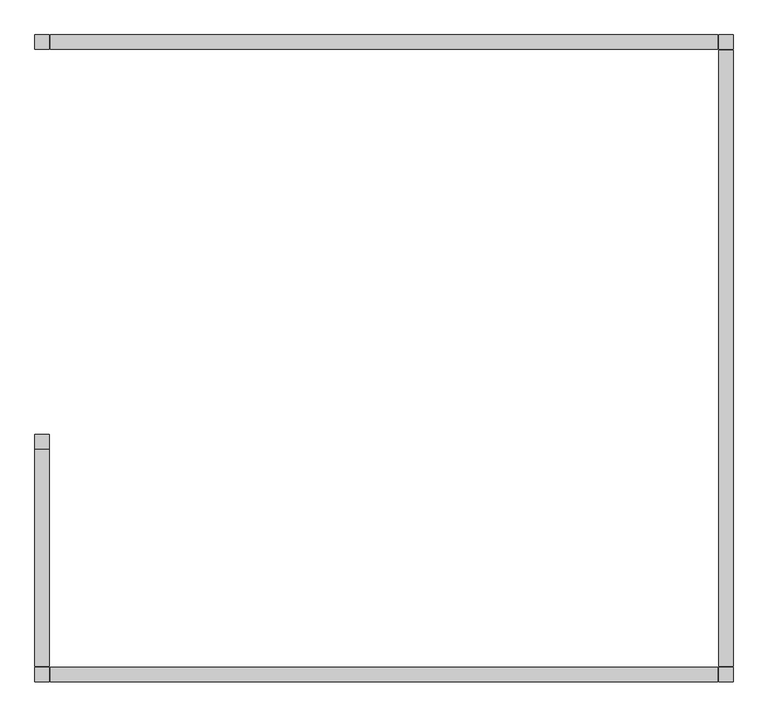
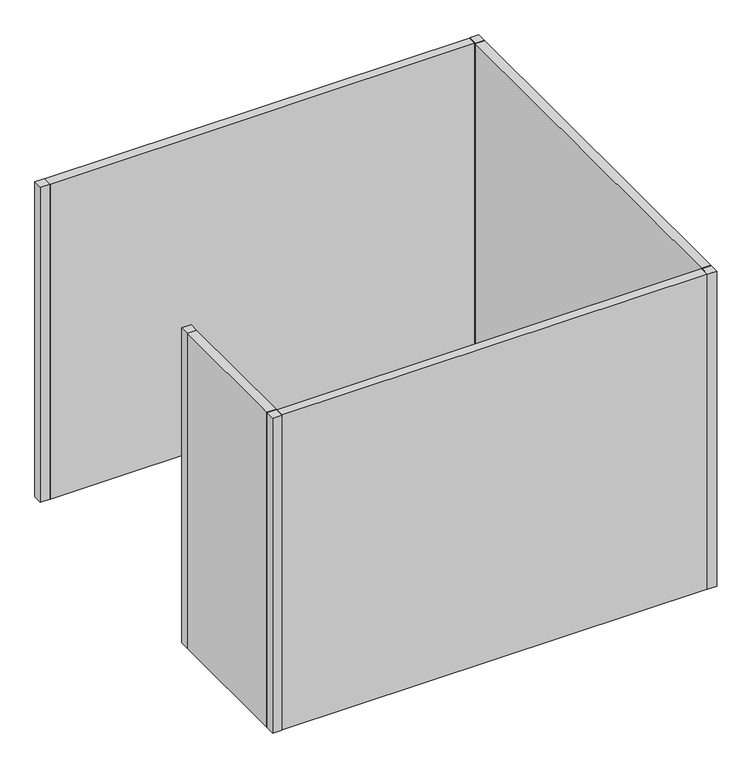
"""IFC4 building model written with IfcOpenShell, lengths in millimetres: furniture geometry."""

from ifc_helpers import new_model, si_unit, origin, origin_with_axes, place, context, project, spatial, polyline, outline, extrude, source, transform, mapped, element, save


def furniture_9b1aea7c(model_context):
    return source(origin(), model_context, "Body", "SweptSolid", [
        extrude(outline(polyline([(-2438.4, 863.6), (-2387.6, 863.6), (-2387.6, 812.8), (-2438.4, 812.8), (-2438.4, 863.6)])), origin_with_axes(), (0.0, 0.0, 1.0), 1828.8),
        extrude(outline(polyline([(-2438.4, 2260.6), (-2387.6, 2260.6), (-2387.6, 2209.8), (-2438.4, 2209.8), (-2438.4, 2260.6)])), origin_with_axes(), (0.0, 0.0, 1.0), 1828.8),
        extrude(outline(polyline([(-2438.4, 50.8), (-2387.6, 50.8), (-2387.6, 0.0), (-2438.4, 0.0), (-2438.4, 50.8)])), origin_with_axes(), (0.0, 0.0, 1.0), 1828.8),
        extrude(outline(polyline([(-50.8, 50.8), (0.0, 50.8), (0.0, 0.0), (-50.8, 0.0), (-50.8, 50.8)])), origin_with_axes(), (0.0, 0.0, 1.0), 1828.8),
        extrude(outline(polyline([(-50.8, 2260.6), (0.0, 2260.6), (0.0, 2209.8), (-50.8, 2209.8), (-50.8, 2260.6)])), origin_with_axes(), (0.0, 0.0, 1.0), 1828.8),
        extrude(outline(polyline([(-2384.425, 2260.6), (-53.975, 2260.6), (-53.975, 2209.8), (-2384.425, 2209.8), (-2384.425, 2260.6)])), origin_with_axes(), (0.0, 0.0, 1.0), 1828.8),
        extrude(outline(polyline([(-2384.425, 0.0), (-2384.425, 50.8), (-53.975, 50.8), (-53.975, 0.0), (-2384.425, 0.0)])), origin_with_axes(), (0.0, 0.0, 1.0), 1828.8),
        extrude(outline(polyline([(0.0, 53.975), (-50.8, 53.975), (-50.8, 2206.625), (0.0, 2206.625), (0.0, 53.975)])), origin_with_axes(), (0.0, 0.0, 1.0), 1828.8),
        extrude(outline(polyline([(-2438.4, 53.975), (-2438.4, 812.8), (-2387.6, 812.8), (-2387.6, 53.975), (-2438.4, 53.975)])), origin_with_axes(), (0.0, 0.0, 1.0), 1828.8),
    ])


if __name__ == "__main__":
    model = new_model("IFC4")
    model_context = context("Model", 3, world=origin())
    ifc_project = project(units=[si_unit("LENGTHUNIT", "METRE", prefix="MILLI")], contexts=[model_context])
    site = spatial("IfcSite", under=ifc_project)
    building = spatial("IfcBuilding", under=site)
    placement = place(None, origin())
    furniture_shape = furniture_9b1aea7c(model_context)
    element("IfcFurniture", 1, at=placement, inside=building, context=model_context, shape_type="MappedRepresentation", body=[
        mapped(furniture_shape, transform((0.0, 0.0, 0.0), x_axis=(1.0, 0.0, 0.0), y_axis=(0.0, 1.0, 0.0), z_axis=(0.0, 0.0, 1.0))),
    ])
    save(model, "model.ifc")
